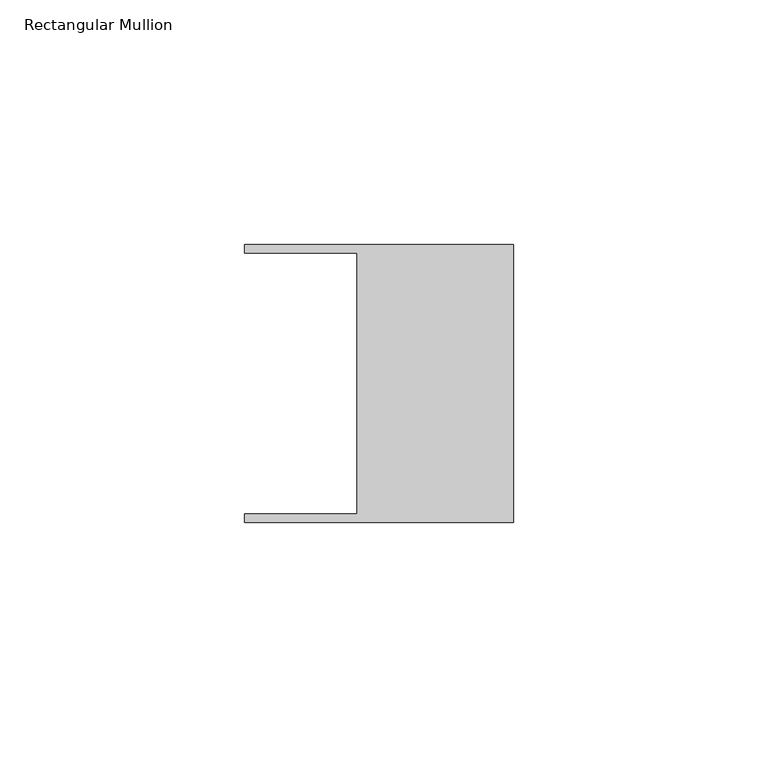
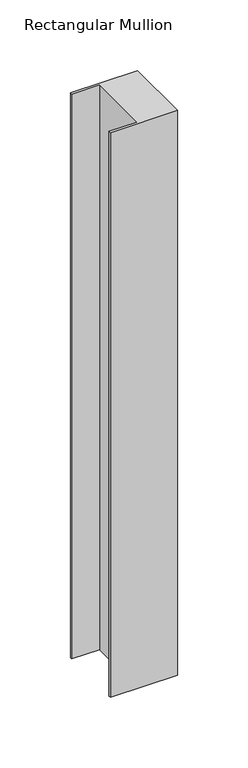
"""IFC4 building model written with IfcOpenShell, lengths in millimetres: member geometry, Rectangular Mullion."""

from ifc_helpers import new_model, si_unit, frame, origin, place, context, project, spatial, polyline, outline, extrude, source, transform, mapped, element, save


def rectangular_mullion_c64b17a8(model_context):
    return source(origin(), model_context, "Body", "SweptSolid", [
        extrude(outline(polyline([(-32.004, -26.67), (-32.004, 26.67), (-54.991, 26.67), (-54.991, 28.448), (0.0, 28.448), (0.0, -28.448), (-54.991, -28.448), (-54.991, -26.67), (-32.004, -26.67)])), frame((0.0, 0.0, -488.95), z_axis=(0.0, 0.0, 1.0), x_axis=(1.0, 0.0, 0.0)), (0.0, 0.0, 1.0), 488.95),
    ])


if __name__ == "__main__":
    model = new_model("IFC4")
    model_context = context("Model", 3, world=origin())
    ifc_project = project(units=[si_unit("LENGTHUNIT", "METRE", prefix="MILLI")], contexts=[model_context])
    site = spatial("IfcSite", under=ifc_project)
    building = spatial("IfcBuilding", under=site)
    placement = place(None, origin())
    rectangular_mullion_shape = rectangular_mullion_c64b17a8(model_context)
    element("IfcMember", 1, ObjectType="Rectangular Mullion", at=placement, inside=building, context=model_context, shape_type="MappedRepresentation", body=[
        mapped(rectangular_mullion_shape, transform((0.0, 0.0, 0.0), x_axis=(1.0, 0.0, 0.0), y_axis=(0.0, 1.0, 0.0), z_axis=(0.0, 0.0, 1.0))),
    ])
    save(model, "model.ifc")
